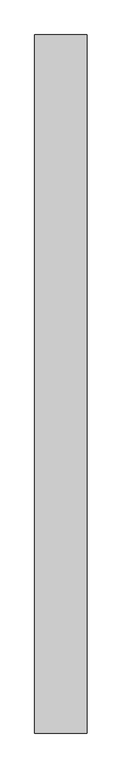
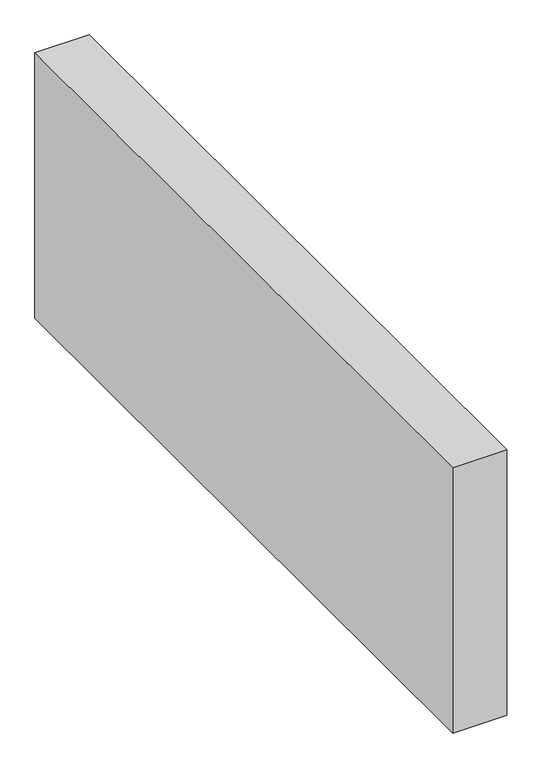
"""IFC4 building model written with IfcOpenShell, lengths in millimetres: proxy geometry."""

from ifc_helpers import new_model, si_unit, origin, origin_with_axes, place, context, project, spatial, polyline, outline, extrude, source, transform, mapped, element, save


def generic_models_d7fd97af(model_context):
    return source(origin(), model_context, "Body", "SweptSolid", [
        extrude(outline(polyline([(150.0, 2002.816396), (150.0, 0.0), (0.0, 0.0), (0.0, 2002.816396), (150.0, 2002.816396)])), origin_with_axes(), (0.0, 0.0, 1.0), 776.6553396),
    ])


if __name__ == "__main__":
    model = new_model("IFC4")
    model_context = context("Model", 3, world=origin())
    ifc_project = project(units=[si_unit("LENGTHUNIT", "METRE", prefix="MILLI")], contexts=[model_context])
    site = spatial("IfcSite", under=ifc_project)
    building = spatial("IfcBuilding", under=site)
    placement = place(None, origin())
    generic_models_shape = generic_models_d7fd97af(model_context)
    element("IfcBuildingElementProxy", 1, Name="Generic Models", at=placement, inside=building, context=model_context, shape_type="MappedRepresentation", body=[
        mapped(generic_models_shape, transform((0.0, 0.0, 0.0), x_axis=(1.0, 0.0, 0.0), y_axis=(0.0, 1.0, 0.0), z_axis=(0.0, 0.0, 1.0))),
    ])
    save(model, "model.ifc")
